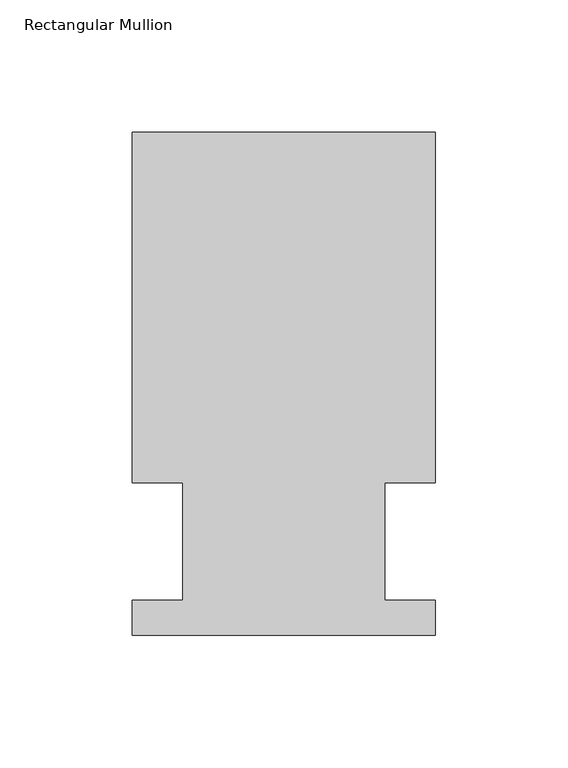
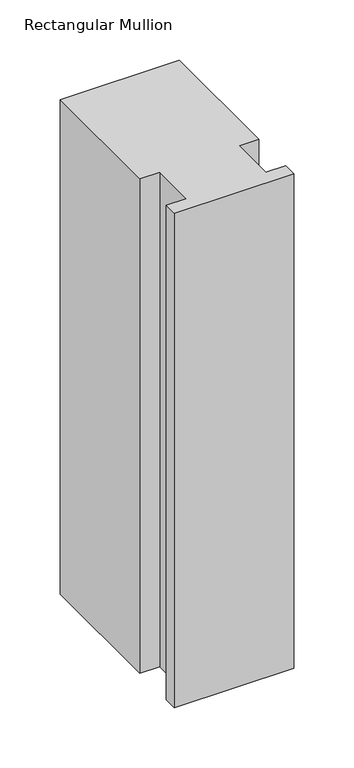
"""IFC4 building model written with IfcOpenShell, lengths in millimetres: member geometry, Rectangular Mullion."""

import ifcopenshell
import ifcopenshell.guid

model = None  # the IFC model being written
_history = None  # IfcOwnerHistory: only IFC2X3 demands one
_inside = {}  # id of a spatial element -> (the spatial element, [elements in it])
_under = {}  # id of a project, library or spatial element -> (it, [spatial elements below it])
_declared = {}  # id of a project -> (the project, [libraries it declares])
_typed = {}  # id of a type object -> (the type object, [elements of that type])
_made_of = {}  # id of a material, layer set ... -> (it, [elements and type objects made of it])


def new_model(schema):
    """Start an empty IFC model of exactly this schema.

    Asked for "IFC4X3", IfcOpenShell would pick the latest addendum, in which some entities
    have other attributes; the version numbers below select the first issue.
    IFC2X3 requires an IfcOwnerHistory on every rooted entity: one is made here for all.
    """
    global model, _history
    if schema == "IFC4X3":
        model = ifcopenshell.file(schema_version=(4, 3, 0, 0))
    else:
        model = ifcopenshell.file(schema=schema)
    _inside.clear()
    _under.clear()
    _declared.clear()
    _typed.clear()
    _made_of.clear()
    _history = None
    if model.schema == "IFC2X3":
        org = make("IfcOrganization", Name="unknown")
        user = make(
            "IfcPersonAndOrganization",
            ThePerson=make("IfcPerson", FamilyName="unknown"),
            TheOrganization=org,
        )
        app = make(
            "IfcApplication",
            ApplicationDeveloper=org,
            Version="unknown",
            ApplicationFullName="unknown",
            ApplicationIdentifier="unknown",
        )
        _history = make(
            "IfcOwnerHistory",
            OwningUser=user,
            OwningApplication=app,
            ChangeAction="ADDED",
            CreationDate=0,
        )
    return model


def make(cls, **values):
    """One entity of the class cls with the attributes given. An attribute that is None is left unset."""
    return model.create_entity(
        cls, **{name: value for name, value in values.items() if value is not None}
    )


def rooted(cls, **values):
    """An entity with a GlobalId (a new one), such as an element, a storey or a relation."""
    return make(cls, GlobalId=ifcopenshell.guid.new(), OwnerHistory=_history, **values)


def si_unit(unit_type, name, prefix=None):
    """IfcSIUnit, for example si_unit("LENGTHUNIT", "METRE", prefix="MILLI")."""
    return make("IfcSIUnit", UnitType=unit_type, Prefix=prefix, Name=name)


def assignment(units):
    """IfcUnitAssignment: the units of a project."""
    return None if units is None else make("IfcUnitAssignment", Units=units)


def point(xyz):
    """IfcCartesianPoint."""
    return None if xyz is None else make("IfcCartesianPoint", Coordinates=xyz)


def direction(xyz):
    """IfcDirection."""
    return None if xyz is None else make("IfcDirection", DirectionRatios=xyz)


def frame(location, z_axis=None, x_axis=None):
    """IfcAxis2Placement3D, a coordinate frame: its origin and axes. An axis left out is left unset."""
    return make(
        "IfcAxis2Placement3D",
        Location=point(location),
        Axis=direction(z_axis),
        RefDirection=direction(x_axis),
    )


def origin():
    """The frame at (0, 0, 0) with its axes left unset."""
    return frame((0.0, 0.0, 0.0))


def place(relative_to, where):
    """IfcLocalPlacement: puts the frame where relative to a parent placement (None: the world)."""
    return make(
        "IfcLocalPlacement", PlacementRelTo=relative_to, RelativePlacement=where
    )


def context(
    kind, dimensions, precision=None, world=None, true_north=None, identifier=None
):
    """IfcGeometricRepresentationContext, for example the 3D "Model" context."""
    return make(
        "IfcGeometricRepresentationContext",
        ContextIdentifier=identifier,
        ContextType=kind,
        CoordinateSpaceDimension=dimensions,
        Precision=precision,
        WorldCoordinateSystem=world,
        TrueNorth=true_north,
    )


def project(units=None, contexts=None):
    """IfcProject with its units and contexts."""
    return rooted(
        "IfcProject",
        Name="project",
        RepresentationContexts=contexts,
        UnitsInContext=assignment(units),
    )


def spatial(cls, under=None, at=None, **own):
    """A site, building, storey or space (cls), placed at a placement, below another one or the project."""
    s = rooted(cls, ObjectPlacement=at, **own)
    if under is not None:
        _under.setdefault(under.id(), (under, []))[1].append(s)
    return s


def polyline(points):
    """IfcPolyline through the points."""
    return make("IfcPolyline", Points=[point(p) for p in points])


def outline(outer, holes=None, kind="AREA"):
    """IfcArbitraryClosedProfileDef: a profile drawn as a closed curve; with holes, ...WithVoids."""
    if holes is None:
        return make("IfcArbitraryClosedProfileDef", ProfileType=kind, OuterCurve=outer)
    return make(
        "IfcArbitraryProfileDefWithVoids",
        ProfileType=kind,
        OuterCurve=outer,
        InnerCurves=holes,
    )


def extrude(swept, where, along, depth):
    """IfcExtrudedAreaSolid: the profile swept, set in the frame where, extruded along a direction by depth."""
    return make(
        "IfcExtrudedAreaSolid",
        SweptArea=swept,
        Position=where,
        ExtrudedDirection=direction(along),
        Depth=depth,
    )


def shape(context_of_items, identifier, shape_type, items):
    """IfcShapeRepresentation: the items that make up one representation, for example the "Body"."""
    return make(
        "IfcShapeRepresentation",
        ContextOfItems=context_of_items,
        RepresentationIdentifier=identifier,
        RepresentationType=shape_type,
        Items=items,
    )


def source(mapping_origin, context_of_items, identifier, shape_type, items):
    """IfcRepresentationMap: a shape defined once, which mapped items show again and again."""
    return make(
        "IfcRepresentationMap",
        MappingOrigin=mapping_origin,
        MappedRepresentation=shape(context_of_items, identifier, shape_type, items),
    )


def transform(
    local_origin,
    x_axis=None,
    y_axis=None,
    z_axis=None,
    scale=None,
    scale2=None,
    scale3=None,
    uniform=True,
):
    """IfcCartesianTransformationOperator3D, or its non-uniform kind. x_axis, y_axis, z_axis: its Axis1, 2, 3."""
    if uniform:
        return make(
            "IfcCartesianTransformationOperator3D",
            Axis1=direction(x_axis),
            Axis2=direction(y_axis),
            LocalOrigin=point(local_origin),
            Scale=scale,
            Axis3=direction(z_axis),
        )
    return make(
        "IfcCartesianTransformationOperator3DnonUniform",
        Axis1=direction(x_axis),
        Axis2=direction(y_axis),
        LocalOrigin=point(local_origin),
        Scale=scale,
        Axis3=direction(z_axis),
        Scale2=scale2,
        Scale3=scale3,
    )


def mapped(mapping_source, mapping_target):
    """IfcMappedItem: shows the shape of a source again, moved by a transform."""
    return make(
        "IfcMappedItem", MappingSource=mapping_source, MappingTarget=mapping_target
    )


def made_of(thing, what):
    """Note that an element or type object is made of a material, layer set ...; save() writes the relation."""
    if what is not None:
        _made_of.setdefault(what.id(), (what, []))[1].append(thing)
    return thing


def element(
    cls,
    number,
    at=None,
    inside=None,
    cuts=None,
    type_object=None,
    material=None,
    context=None,
    identifier="Body",
    shape_type=None,
    held_by="IfcProductDefinitionShape",
    body=None,
    shapes=None,
    **own,
):
    """One element of the class cls, such as IfcWall. Its Tag is "e" and its number.

    at: its placement. inside: the storey or other place that contains it. cuts: it is an
    opening in that element (IfcRelVoidsElement). A single representation is given by context,
    identifier, shape_type and body (its items); several are given by shapes. held_by: the class
    of the entity that holds the representations. save() writes the other relations.
    """
    e = rooted(cls, Tag="e%d" % number, ObjectPlacement=at, **own)
    if body is not None:
        shapes = [shape(context, identifier, shape_type, body)]
    if shapes is not None:
        e.Representation = make(held_by, Representations=shapes)
    if inside is not None:
        _inside.setdefault(inside.id(), (inside, []))[1].append(e)
    if cuts is not None:
        rooted(
            "IfcRelVoidsElement", RelatingBuildingElement=cuts, RelatedOpeningElement=e
        )
    if type_object is not None:
        _typed.setdefault(type_object.id(), (type_object, []))[1].append(e)
    return made_of(e, material)


def aggregate(whole, parts):
    """IfcRelAggregates: a whole, such as a stair, and the parts it consists of."""
    return rooted("IfcRelAggregates", RelatingObject=whole, RelatedObjects=parts)


def save(model, path):
    """Write the relations noted so far, then the file.

    IfcRelAggregates (storeys below a building ...), IfcRelContainedInSpatialStructure (elements
    in a storey), IfcRelDefinesByType, IfcRelAssociatesMaterial and IfcRelDeclares: one each for
    every whole, place, type object, material and project.
    """
    for whole, parts in _under.values():
        aggregate(whole, parts)
    for where, things in _inside.values():
        rooted(
            "IfcRelContainedInSpatialStructure",
            RelatedElements=things,
            RelatingStructure=where,
        )
    for kind, things in _typed.values():
        rooted("IfcRelDefinesByType", RelatedObjects=things, RelatingType=kind)
    for what, things in _made_of.values():
        rooted("IfcRelAssociatesMaterial", RelatedObjects=things, RelatingMaterial=what)
    for by, libraries in _declared.values():
        rooted("IfcRelDeclares", RelatingContext=by, RelatedDefinitions=libraries)
    model.write(path)


def rectangular_mullion_5c42953c(model_context):
    return source(origin(), model_context, "Body", "SweptSolid", [
        extrude(outline(polyline([(-114.3, 189.8022937), (0.0, 189.8022937), (0.0, 57.6460937), (-19.0372999, 57.6460938), (-19.0372999, 13.1960937), (0.0, 13.1960937), (0.0, 0.0231006), (-114.3, 0.0231006), (-114.3, 13.1960937), (-95.25, 13.1960937), (-95.25, 57.6460937), (-114.3, 57.6460938), (-114.3, 189.8022937)])), frame((0.0, 0.0, -501.68175), z_axis=(0.0, 0.0, 1.0), x_axis=(1.0, 0.0, 0.0)), (0.0, 0.0, 1.0), 501.68175),
    ])


if __name__ == "__main__":
    model = new_model("IFC4")
    model_context = context("Model", 3, world=origin())
    ifc_project = project(units=[si_unit("LENGTHUNIT", "METRE", prefix="MILLI")], contexts=[model_context])
    site = spatial("IfcSite", under=ifc_project)
    building = spatial("IfcBuilding", under=site)
    placement = place(None, origin())
    rectangular_mullion_shape = rectangular_mullion_5c42953c(model_context)
    element("IfcMember", 1, ObjectType="Rectangular Mullion", at=placement, inside=building, context=model_context, shape_type="MappedRepresentation", body=[
        mapped(rectangular_mullion_shape, transform((0.0, 0.0, 0.0), x_axis=(1.0, 0.0, 0.0), y_axis=(0.0, 1.0, 0.0), z_axis=(0.0, 0.0, 1.0))),
    ])
    save(model, "model.ifc")
